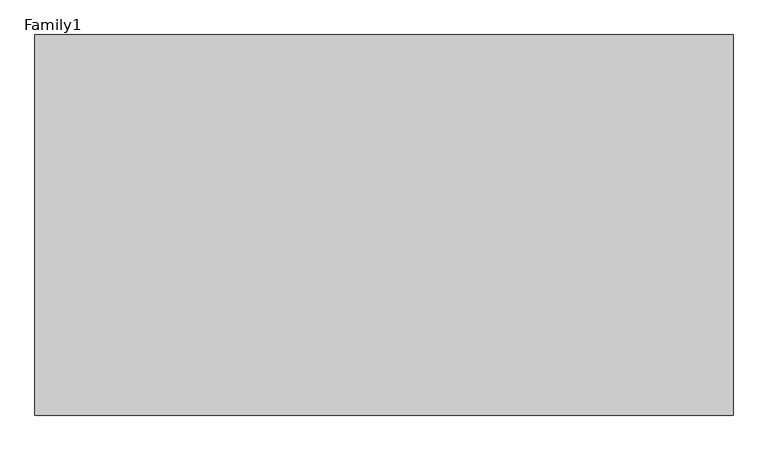
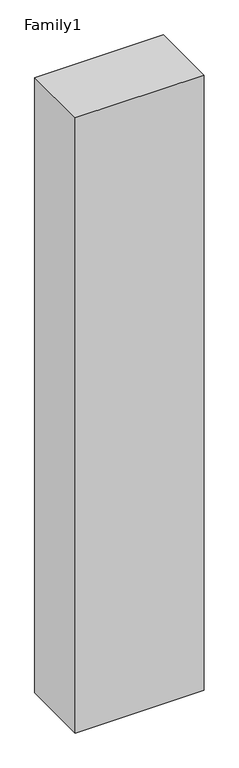
"""IFC4 building model written with IfcOpenShell, lengths in millimetres: proxy geometry, Family1."""

from ifc_helpers import new_model, si_unit, origin, origin_with_axes, place, context, project, spatial, polyline, outline, extrude, source, transform, mapped, element, save


def family1_bbf167fb(model_context):
    return source(origin(), model_context, "Body", "SweptSolid", [
        extrude(outline(polyline([(5500.0, 0.0), (0.0, 0.0), (0.0, 3000.0), (5500.0, 3000.0), (5500.0, 0.0)])), origin_with_axes(), (0.0, 0.0, 1.0), 27800.0),
    ])


if __name__ == "__main__":
    model = new_model("IFC4")
    model_context = context("Model", 3, world=origin())
    ifc_project = project(units=[si_unit("LENGTHUNIT", "METRE", prefix="MILLI")], contexts=[model_context])
    site = spatial("IfcSite", under=ifc_project)
    building = spatial("IfcBuilding", under=site)
    placement = place(None, origin())
    family1_shape = family1_bbf167fb(model_context)
    element("IfcBuildingElementProxy", 1, Name="Family1", ObjectType="Family1", at=placement, inside=building, context=model_context, shape_type="MappedRepresentation", body=[
        mapped(family1_shape, transform((0.0, 0.0, 0.0), x_axis=(1.0, 0.0, 0.0), y_axis=(0.0, 1.0, 0.0), z_axis=(0.0, 0.0, 1.0))),
    ])
    save(model, "model.ifc")
